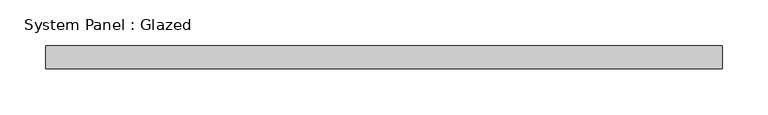
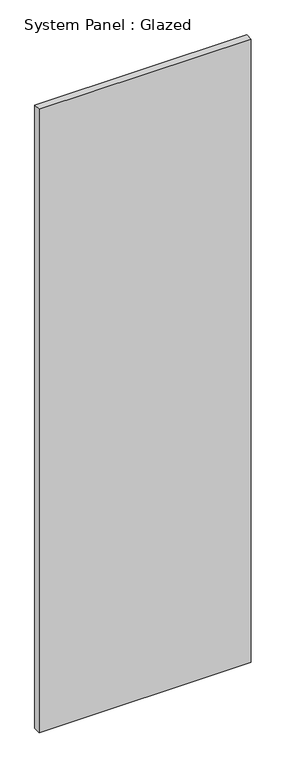
"""IFC4 building model written with IfcOpenShell, lengths in millimetres: plate geometry, System Panel : Glazed."""

from ifc_helpers import new_model, si_unit, origin, origin_with_axes, place, context, project, spatial, polyline, outline, extrude, source, transform, mapped, element, save


def system_panel_glazed_4b6bb15d(model_context):
    return source(origin(), model_context, "Body", "SweptSolid", [
        extrude(outline(polyline([(369.9876027, -49.5), (-369.9876027, -49.5), (-369.9876027, -24.5), (369.9876027, -24.5), (369.9876027, -49.5)])), origin_with_axes(), (0.0, 0.0, 1.0), 2300.0),
    ])


if __name__ == "__main__":
    model = new_model("IFC4")
    model_context = context("Model", 3, world=origin())
    ifc_project = project(units=[si_unit("LENGTHUNIT", "METRE", prefix="MILLI")], contexts=[model_context])
    site = spatial("IfcSite", under=ifc_project)
    building = spatial("IfcBuilding", under=site)
    placement = place(None, origin())
    system_panel_glazed_shape = system_panel_glazed_4b6bb15d(model_context)
    element("IfcPlate", 1, ObjectType="System Panel : Glazed", at=placement, inside=building, context=model_context, shape_type="MappedRepresentation", body=[
        mapped(system_panel_glazed_shape, transform((0.0, 0.0, 0.0), x_axis=(1.0, 0.0, 0.0), y_axis=(0.0, 1.0, 0.0), z_axis=(0.0, 0.0, 1.0))),
    ])
    save(model, "model.ifc")
